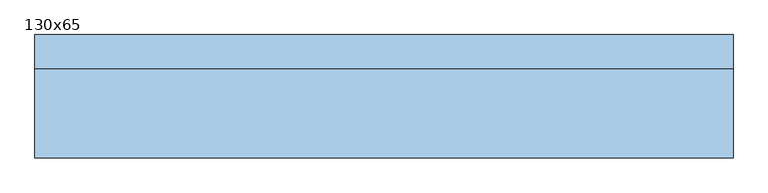
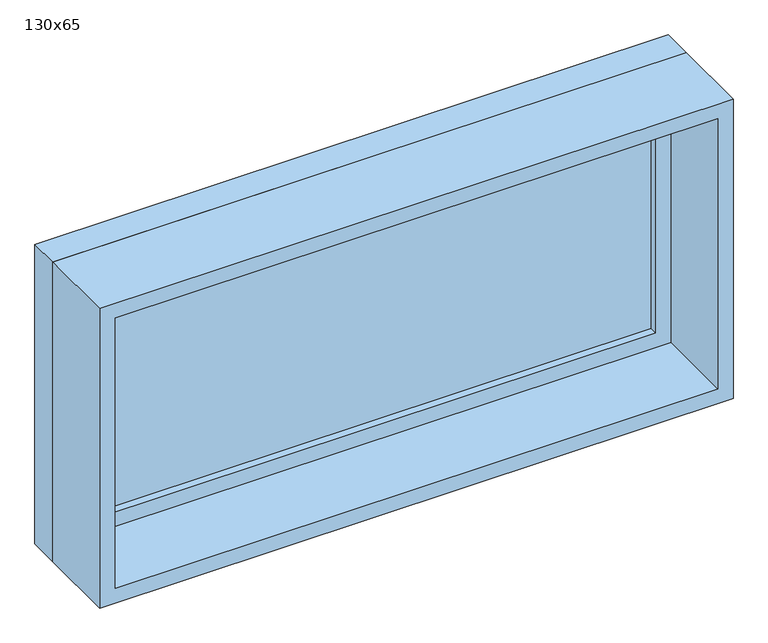
"""IFC4 building model written with IfcOpenShell, lengths in millimetres: window geometry, 130x65."""

from ifc_helpers import new_model, si_unit, frame, origin, place, context, project, spatial, polyline, outline, extrude, source, transform, mapped, element, save


def window_130x65_4e2790ea(model_context):
    return source(origin(), model_context, "Body", "SweptSolid", [
        extrude(outline(polyline([(548.4, 67.375), (-624.6, 67.375), (-624.6, 80.075), (548.4, 80.075), (548.4, 67.375)])), frame((0.0, 0.0, 977.9), z_axis=(0.0, 0.0, 1.0), x_axis=(1.0, 0.0, 0.0)), (0.0, 0.0, 1.0), 523.0),
        extrude(outline(polyline([(1545.35, -669.05), (933.45, -669.05), (933.45, 592.85), (1545.35, 592.85), (1545.35, -669.05)]), holes=[polyline([(1500.9, -624.6), (1500.9, 548.4), (977.9, 548.4), (977.9, -624.6), (1500.9, -624.6)])]), frame((0.0, 51.5, 0.0), z_axis=(0.0, 1.0, 0.0), x_axis=(0.0, 0.0, 1.0)), (0.0, 0.0, 1.0), 44.45),
        extrude(outline(polyline([(1564.4, -688.1), (914.4, -688.1), (914.4, 611.9), (1564.4, 611.9), (1564.4, -688.1)]), holes=[polyline([(1532.65, -656.35), (1532.65, 580.15), (946.15, 580.15), (946.15, -656.35), (1532.65, -656.35)])]), frame((0.0, -115.0, 0.0), z_axis=(0.0, 1.0, 0.0), x_axis=(0.0, 0.0, 1.0)), (0.0, 0.0, 1.0), 166.5),
        extrude(outline(polyline([(1564.4, 611.9), (1564.4, -688.1), (914.4, -688.1), (914.4, 611.9), (1564.4, 611.9)]), holes=[polyline([(1545.35, 592.85), (933.45, 592.85), (933.45, -669.05), (1545.35, -669.05), (1545.35, 592.85)])]), frame((0.0, 51.5, 0.0), z_axis=(0.0, 1.0, 0.0), x_axis=(0.0, 0.0, 1.0)), (0.0, 0.0, 1.0), 63.5),
    ])


if __name__ == "__main__":
    model = new_model("IFC4")
    model_context = context("Model", 3, world=origin())
    ifc_project = project(units=[si_unit("LENGTHUNIT", "METRE", prefix="MILLI")], contexts=[model_context])
    site = spatial("IfcSite", under=ifc_project)
    building = spatial("IfcBuilding", under=site)
    placement = place(None, origin())
    window_130x65_shape = window_130x65_4e2790ea(model_context)
    element("IfcWindow", 1, ObjectType="130x65", at=placement, inside=building, context=model_context, shape_type="MappedRepresentation", body=[
        mapped(window_130x65_shape, transform((0.0, 0.0, 0.0), x_axis=(1.0, 0.0, 0.0), y_axis=(0.0, 1.0, 0.0), z_axis=(0.0, 0.0, 1.0))),
    ])
    save(model, "model.ifc")
